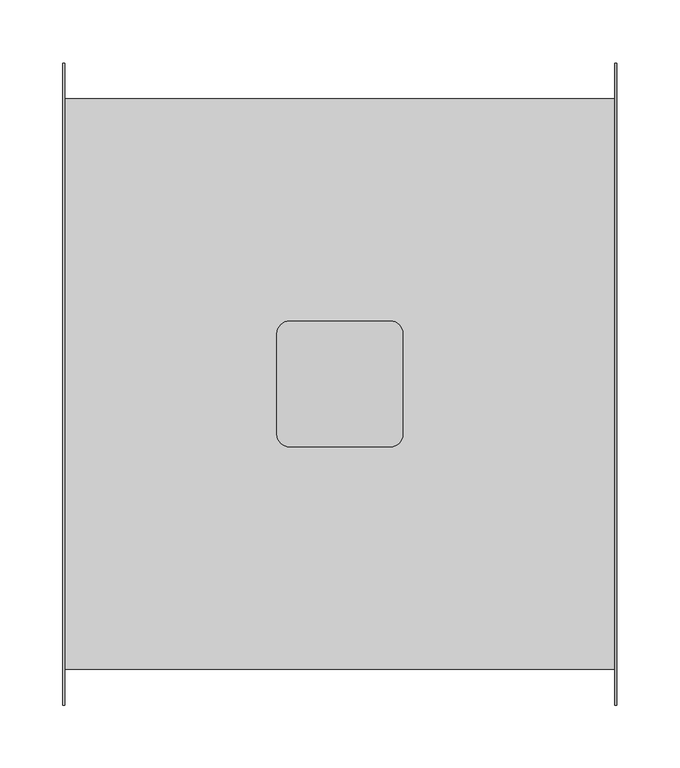
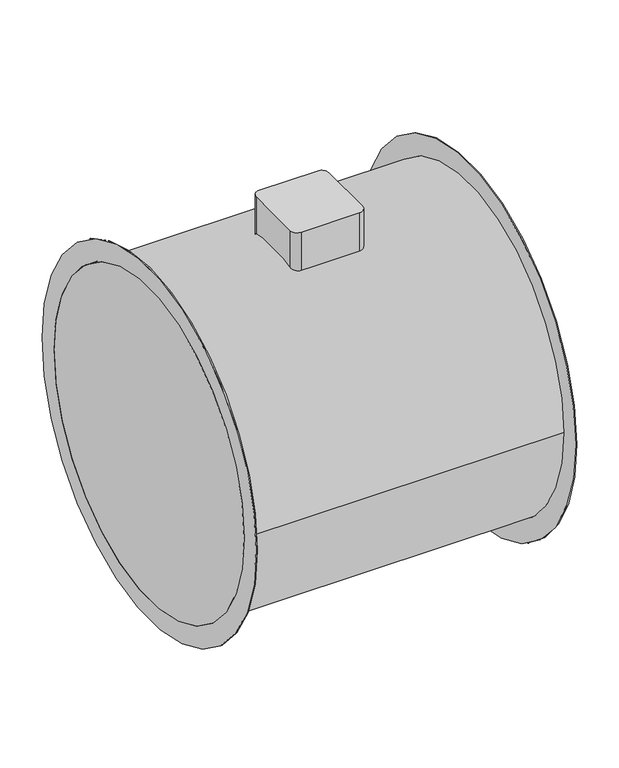
"""IFC4 building model written with IfcOpenShell, lengths in millimetres: proxy geometry."""

import ifcopenshell
import ifcopenshell.guid

model = None  # the IFC model being written
_history = None  # IfcOwnerHistory: only IFC2X3 demands one
_inside = {}  # id of a spatial element -> (the spatial element, [elements in it])
_under = {}  # id of a project, library or spatial element -> (it, [spatial elements below it])
_declared = {}  # id of a project -> (the project, [libraries it declares])
_typed = {}  # id of a type object -> (the type object, [elements of that type])
_made_of = {}  # id of a material, layer set ... -> (it, [elements and type objects made of it])


def new_model(schema):
    """Start an empty IFC model of exactly this schema.

    Asked for "IFC4X3", IfcOpenShell would pick the latest addendum, in which some entities
    have other attributes; the version numbers below select the first issue.
    IFC2X3 requires an IfcOwnerHistory on every rooted entity: one is made here for all.
    """
    global model, _history
    if schema == "IFC4X3":
        model = ifcopenshell.file(schema_version=(4, 3, 0, 0))
    else:
        model = ifcopenshell.file(schema=schema)
    _inside.clear()
    _under.clear()
    _declared.clear()
    _typed.clear()
    _made_of.clear()
    _history = None
    if model.schema == "IFC2X3":
        org = make("IfcOrganization", Name="unknown")
        user = make(
            "IfcPersonAndOrganization",
            ThePerson=make("IfcPerson", FamilyName="unknown"),
            TheOrganization=org,
        )
        app = make(
            "IfcApplication",
            ApplicationDeveloper=org,
            Version="unknown",
            ApplicationFullName="unknown",
            ApplicationIdentifier="unknown",
        )
        _history = make(
            "IfcOwnerHistory",
            OwningUser=user,
            OwningApplication=app,
            ChangeAction="ADDED",
            CreationDate=0,
        )
    return model


def make(cls, **values):
    """One entity of the class cls with the attributes given. An attribute that is None is left unset."""
    return model.create_entity(
        cls, **{name: value for name, value in values.items() if value is not None}
    )


def rooted(cls, **values):
    """An entity with a GlobalId (a new one), such as an element, a storey or a relation."""
    return make(cls, GlobalId=ifcopenshell.guid.new(), OwnerHistory=_history, **values)


def si_unit(unit_type, name, prefix=None):
    """IfcSIUnit, for example si_unit("LENGTHUNIT", "METRE", prefix="MILLI")."""
    return make("IfcSIUnit", UnitType=unit_type, Prefix=prefix, Name=name)


def assignment(units):
    """IfcUnitAssignment: the units of a project."""
    return None if units is None else make("IfcUnitAssignment", Units=units)


def point(xyz):
    """IfcCartesianPoint."""
    return None if xyz is None else make("IfcCartesianPoint", Coordinates=xyz)


def direction(xyz):
    """IfcDirection."""
    return None if xyz is None else make("IfcDirection", DirectionRatios=xyz)


def frame(location, z_axis=None, x_axis=None):
    """IfcAxis2Placement3D, a coordinate frame: its origin and axes. An axis left out is left unset."""
    return make(
        "IfcAxis2Placement3D",
        Location=point(location),
        Axis=direction(z_axis),
        RefDirection=direction(x_axis),
    )


def frame_2d(location, x_axis=None):
    """IfcAxis2Placement2D, a coordinate frame in the plane: its origin and x axis."""
    return make(
        "IfcAxis2Placement2D", Location=point(location), RefDirection=direction(x_axis)
    )


def origin():
    """The frame at (0, 0, 0) with its axes left unset."""
    return frame((0.0, 0.0, 0.0))


def origin_with_axes():
    """The frame at (0, 0, 0) with the z axis (0, 0, 1) and the x axis (1, 0, 0) written out."""
    return frame((0.0, 0.0, 0.0), z_axis=(0.0, 0.0, 1.0), x_axis=(1.0, 0.0, 0.0))


def origin_2d():
    """The frame at (0, 0) in the plane with its x axis left unset."""
    return frame_2d((0.0, 0.0))


def place(relative_to, where):
    """IfcLocalPlacement: puts the frame where relative to a parent placement (None: the world)."""
    return make(
        "IfcLocalPlacement", PlacementRelTo=relative_to, RelativePlacement=where
    )


def context(
    kind, dimensions, precision=None, world=None, true_north=None, identifier=None
):
    """IfcGeometricRepresentationContext, for example the 3D "Model" context."""
    return make(
        "IfcGeometricRepresentationContext",
        ContextIdentifier=identifier,
        ContextType=kind,
        CoordinateSpaceDimension=dimensions,
        Precision=precision,
        WorldCoordinateSystem=world,
        TrueNorth=true_north,
    )


def project(units=None, contexts=None):
    """IfcProject with its units and contexts."""
    return rooted(
        "IfcProject",
        Name="project",
        RepresentationContexts=contexts,
        UnitsInContext=assignment(units),
    )


def spatial(cls, under=None, at=None, **own):
    """A site, building, storey or space (cls), placed at a placement, below another one or the project."""
    s = rooted(cls, ObjectPlacement=at, **own)
    if under is not None:
        _under.setdefault(under.id(), (under, []))[1].append(s)
    return s


def polyline(points):
    """IfcPolyline through the points."""
    return make("IfcPolyline", Points=[point(p) for p in points])


def circle_curve(where, radius):
    """IfcCircle in the frame where."""
    return make("IfcCircle", Position=where, Radius=radius)


def trimmed(basis, trim1, trim2, sense, master):
    """IfcTrimmedCurve: the piece of a basis curve between two trims."""
    return make(
        "IfcTrimmedCurve",
        BasisCurve=basis,
        Trim1=trim1,
        Trim2=trim2,
        SenseAgreement=sense,
        MasterRepresentation=master,
    )


def segment(curve, same_sense, transition):
    """IfcCompositeCurveSegment."""
    return make(
        "IfcCompositeCurveSegment",
        Transition=transition,
        SameSense=same_sense,
        ParentCurve=curve,
    )


def composite_curve(segments, self_intersect=None):
    """IfcCompositeCurve: segments joined end to end."""
    return make("IfcCompositeCurve", Segments=segments, SelfIntersect=self_intersect)


def outline(outer, holes=None, kind="AREA"):
    """IfcArbitraryClosedProfileDef: a profile drawn as a closed curve; with holes, ...WithVoids."""
    if holes is None:
        return make("IfcArbitraryClosedProfileDef", ProfileType=kind, OuterCurve=outer)
    return make(
        "IfcArbitraryProfileDefWithVoids",
        ProfileType=kind,
        OuterCurve=outer,
        InnerCurves=holes,
    )


def extrude(swept, where, along, depth):
    """IfcExtrudedAreaSolid: the profile swept, set in the frame where, extruded along a direction by depth."""
    return make(
        "IfcExtrudedAreaSolid",
        SweptArea=swept,
        Position=where,
        ExtrudedDirection=direction(along),
        Depth=depth,
    )


def shape(context_of_items, identifier, shape_type, items):
    """IfcShapeRepresentation: the items that make up one representation, for example the "Body"."""
    return make(
        "IfcShapeRepresentation",
        ContextOfItems=context_of_items,
        RepresentationIdentifier=identifier,
        RepresentationType=shape_type,
        Items=items,
    )


def source(mapping_origin, context_of_items, identifier, shape_type, items):
    """IfcRepresentationMap: a shape defined once, which mapped items show again and again."""
    return make(
        "IfcRepresentationMap",
        MappingOrigin=mapping_origin,
        MappedRepresentation=shape(context_of_items, identifier, shape_type, items),
    )


def transform(
    local_origin,
    x_axis=None,
    y_axis=None,
    z_axis=None,
    scale=None,
    scale2=None,
    scale3=None,
    uniform=True,
):
    """IfcCartesianTransformationOperator3D, or its non-uniform kind. x_axis, y_axis, z_axis: its Axis1, 2, 3."""
    if uniform:
        return make(
            "IfcCartesianTransformationOperator3D",
            Axis1=direction(x_axis),
            Axis2=direction(y_axis),
            LocalOrigin=point(local_origin),
            Scale=scale,
            Axis3=direction(z_axis),
        )
    return make(
        "IfcCartesianTransformationOperator3DnonUniform",
        Axis1=direction(x_axis),
        Axis2=direction(y_axis),
        LocalOrigin=point(local_origin),
        Scale=scale,
        Axis3=direction(z_axis),
        Scale2=scale2,
        Scale3=scale3,
    )


def mapped(mapping_source, mapping_target):
    """IfcMappedItem: shows the shape of a source again, moved by a transform."""
    return make(
        "IfcMappedItem", MappingSource=mapping_source, MappingTarget=mapping_target
    )


def made_of(thing, what):
    """Note that an element or type object is made of a material, layer set ...; save() writes the relation."""
    if what is not None:
        _made_of.setdefault(what.id(), (what, []))[1].append(thing)
    return thing


def element(
    cls,
    number,
    at=None,
    inside=None,
    cuts=None,
    type_object=None,
    material=None,
    context=None,
    identifier="Body",
    shape_type=None,
    held_by="IfcProductDefinitionShape",
    body=None,
    shapes=None,
    **own,
):
    """One element of the class cls, such as IfcWall. Its Tag is "e" and its number.

    at: its placement. inside: the storey or other place that contains it. cuts: it is an
    opening in that element (IfcRelVoidsElement). A single representation is given by context,
    identifier, shape_type and body (its items); several are given by shapes. held_by: the class
    of the entity that holds the representations. save() writes the other relations.
    """
    e = rooted(cls, Tag="e%d" % number, ObjectPlacement=at, **own)
    if body is not None:
        shapes = [shape(context, identifier, shape_type, body)]
    if shapes is not None:
        e.Representation = make(held_by, Representations=shapes)
    if inside is not None:
        _inside.setdefault(inside.id(), (inside, []))[1].append(e)
    if cuts is not None:
        rooted(
            "IfcRelVoidsElement", RelatingBuildingElement=cuts, RelatedOpeningElement=e
        )
    if type_object is not None:
        _typed.setdefault(type_object.id(), (type_object, []))[1].append(e)
    return made_of(e, material)


def aggregate(whole, parts):
    """IfcRelAggregates: a whole, such as a stair, and the parts it consists of."""
    return rooted("IfcRelAggregates", RelatingObject=whole, RelatedObjects=parts)


def save(model, path):
    """Write the relations noted so far, then the file.

    IfcRelAggregates (storeys below a building ...), IfcRelContainedInSpatialStructure (elements
    in a storey), IfcRelDefinesByType, IfcRelAssociatesMaterial and IfcRelDeclares: one each for
    every whole, place, type object, material and project.
    """
    for whole, parts in _under.values():
        aggregate(whole, parts)
    for where, things in _inside.values():
        rooted(
            "IfcRelContainedInSpatialStructure",
            RelatedElements=things,
            RelatingStructure=where,
        )
    for kind, things in _typed.values():
        rooted("IfcRelDefinesByType", RelatedObjects=things, RelatingType=kind)
    for what, things in _made_of.values():
        rooted("IfcRelAssociatesMaterial", RelatedObjects=things, RelatingMaterial=what)
    for by, libraries in _declared.values():
        rooted("IfcRelDeclares", RelatingContext=by, RelatedDefinitions=libraries)
    model.write(path)


def mechanical_equipment_7e3ecb4b(model_context):
    return source(origin(), model_context, "Body", "SweptSolid", [
        extrude(outline(composite_curve([segment(trimmed(circle_curve(frame_2d((40.0, 40.0)), 10.0), [point((40.0, 50.0))], [point((50.0, 40.0))], False, "CARTESIAN"), True, "CONTINUOUS"), segment(polyline([(50.0, 40.0), (50.0, -40.0)]), True, "CONTINUOUS"), segment(trimmed(circle_curve(frame_2d((40.0, -40.0)), 10.0), [point((50.0, -40.0))], [point((40.0, -50.0))], False, "CARTESIAN"), True, "CONTINUOUS"), segment(polyline([(40.0, -50.0), (-40.0, -50.0)]), True, "CONTINUOUS"), segment(trimmed(circle_curve(frame_2d((-40.0, -40.0)), 10.0), [point((-40.0, -50.0))], [point((-50.0, -40.0))], False, "CARTESIAN"), True, "CONTINUOUS"), segment(polyline([(-50.0, -40.0), (-50.0, 40.0)]), True, "CONTINUOUS"), segment(trimmed(circle_curve(frame_2d((-40.0, 40.0)), 10.0), [point((-50.0, 40.0))], [point((-40.0, 50.0))], False, "CARTESIAN"), True, "CONTINUOUS"), segment(polyline([(-40.0, 50.0), (40.0, 50.0)]), True, "CONTINUOUS")], self_intersect=False)), origin_with_axes(), (0.0, 0.0, 1.0), 275.0),
        extrude(outline(composite_curve([segment(trimmed(circle_curve(origin_2d(), 255.0), [point((-255.0, 0.0))], [point((255.0, 0.0))], False, "CARTESIAN"), True, "CONTINUOUS"), segment(trimmed(circle_curve(origin_2d(), 255.0), [point((255.0, 0.0))], [point((-255.0, 0.0))], False, "CARTESIAN"), True, "CONTINUOUS")], self_intersect=False), holes=[composite_curve([segment(trimmed(circle_curve(origin_2d(), 226.5), [point((-226.5, 0.0))], [point((226.5, 0.0))], True, "CARTESIAN"), True, "CONTINUOUS"), segment(trimmed(circle_curve(origin_2d(), 226.5), [point((226.5, 0.0))], [point((-226.5, 0.0))], True, "CARTESIAN"), True, "CONTINUOUS")], self_intersect=False)]), frame((218.5, 0.0, 0.0), z_axis=(1.0, 0.0, 0.0), x_axis=(0.0, 1.0, 0.0)), (0.0, 0.0, 1.0), 1.5),
        extrude(outline(composite_curve([segment(trimmed(circle_curve(origin_2d(), 255.0), [point((-255.0, 0.0))], [point((255.0, 0.0))], False, "CARTESIAN"), True, "CONTINUOUS"), segment(trimmed(circle_curve(origin_2d(), 255.0), [point((255.0, 0.0))], [point((-255.0, 0.0))], False, "CARTESIAN"), True, "CONTINUOUS")], self_intersect=False), holes=[composite_curve([segment(trimmed(circle_curve(origin_2d(), 226.5), [point((-226.5, 0.0))], [point((226.5, 0.0))], True, "CARTESIAN"), True, "CONTINUOUS"), segment(trimmed(circle_curve(origin_2d(), 226.5), [point((226.5, 0.0))], [point((-226.5, 0.0))], True, "CARTESIAN"), True, "CONTINUOUS")], self_intersect=False)]), frame((-220.0, 0.0, 0.0), z_axis=(1.0, 0.0, 0.0), x_axis=(0.0, 1.0, 0.0)), (0.0, 0.0, 1.0), 1.5),
        extrude(outline(composite_curve([segment(trimmed(circle_curve(origin_2d(), 226.5), [point((-226.5, 0.0))], [point((226.5, 0.0))], False, "CARTESIAN"), True, "CONTINUOUS"), segment(trimmed(circle_curve(origin_2d(), 226.5), [point((226.5, 0.0))], [point((-226.5, 0.0))], False, "CARTESIAN"), True, "CONTINUOUS")], self_intersect=False)), frame((-220.0, 0.0, 0.0), z_axis=(1.0, 0.0, 0.0), x_axis=(0.0, 1.0, 0.0)), (0.0, 0.0, 1.0), 440.0),
    ])


if __name__ == "__main__":
    model = new_model("IFC4")
    model_context = context("Model", 3, world=origin())
    ifc_project = project(units=[si_unit("LENGTHUNIT", "METRE", prefix="MILLI")], contexts=[model_context])
    site = spatial("IfcSite", under=ifc_project)
    building = spatial("IfcBuilding", under=site)
    placement = place(None, origin())
    mechanical_equipment_shape = mechanical_equipment_7e3ecb4b(model_context)
    element("IfcBuildingElementProxy", 1, Name="Mechanical Equipment", at=placement, inside=building, context=model_context, shape_type="MappedRepresentation", body=[
        mapped(mechanical_equipment_shape, transform((0.0, 0.0, 0.0), x_axis=(1.0, 0.0, 0.0), y_axis=(0.0, 1.0, 0.0), z_axis=(0.0, 0.0, 1.0))),
    ])
    save(model, "model.ifc")
